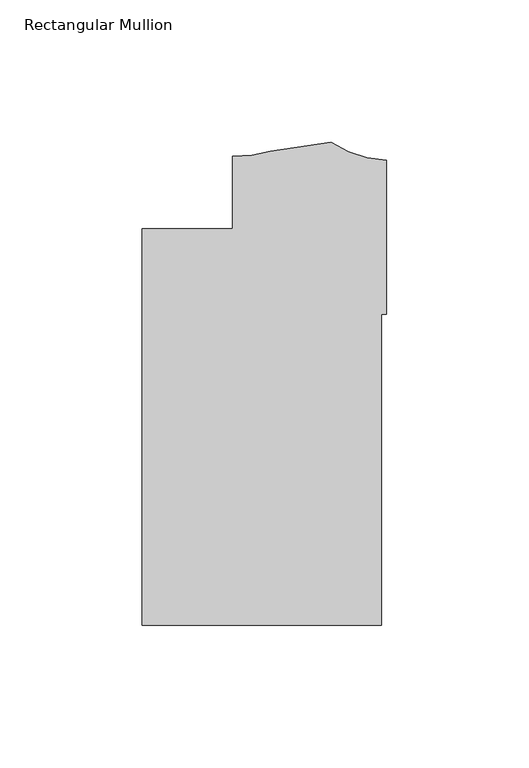
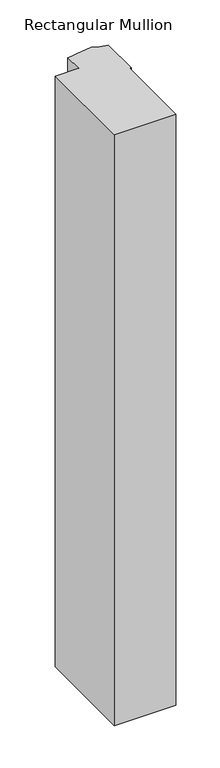
"""IFC4 building model written with IfcOpenShell, lengths in millimetres: member geometry, Rectangular Mullion."""

from ifc_helpers import new_model, si_unit, point, frame, frame_2d, origin, place, context, project, spatial, polyline, circle_curve, trimmed, segment, composite_curve, outline, extrude, source, transform, mapped, element, save


def rectangular_mullion_bb590aa4(model_context):
    return source(origin(), model_context, "Body", "SweptSolid", [
        extrude(outline(composite_curve([segment(polyline([(-85.8370969, -12.557125), (-54.0870969, -12.557125), (-54.0870969, 12.8428728)]), True, "CONTINUOUS"), segment(trimmed(circle_curve(frame_2d((-53.2410377, 56.8266605)), 43.9919242), [point((-54.0870969, 12.8428728))], [point((-40.7045247, 14.6588382))], True, "CARTESIAN"), True, "CONTINUOUS"), segment(trimmed(circle_curve(frame_2d((-48.5375949, 141.418602)), 127.0015539), [point((-40.7045247, 14.6588382))], [point((-19.5523137, 17.7689025))], True, "CARTESIAN"), True, "CONTINUOUS"), segment(trimmed(circle_curve(frame_2d((1.9614918, 50.8236775)), 39.4393455), [point((-19.5523137, 17.7689025))], [point((0.0, 11.433139))], True, "CARTESIAN"), True, "CONTINUOUS"), segment(polyline([(0.0, 11.433139), (0.0, -42.597391), (-1.8773984, -42.597391), (-1.8773984, -151.749125), (-85.8370969, -151.749125), (-85.8370969, -12.557125)]), True, "CONTINUOUS")], self_intersect=False)), frame((0.0, 0.0, -850.8787585), z_axis=(0.0, 0.0, 1.0), x_axis=(1.0, 0.0, 0.0)), (0.0, 0.0, 1.0), 850.8787585),
    ])


if __name__ == "__main__":
    model = new_model("IFC4")
    model_context = context("Model", 3, world=origin())
    ifc_project = project(units=[si_unit("LENGTHUNIT", "METRE", prefix="MILLI")], contexts=[model_context])
    site = spatial("IfcSite", under=ifc_project)
    building = spatial("IfcBuilding", under=site)
    placement = place(None, origin())
    rectangular_mullion_shape = rectangular_mullion_bb590aa4(model_context)
    element("IfcMember", 1, ObjectType="Rectangular Mullion", at=placement, inside=building, context=model_context, shape_type="MappedRepresentation", body=[
        mapped(rectangular_mullion_shape, transform((0.0, 0.0, 0.0), x_axis=(1.0, 0.0, 0.0), y_axis=(0.0, 1.0, 0.0), z_axis=(0.0, 0.0, 1.0))),
    ])
    save(model, "model.ifc")
